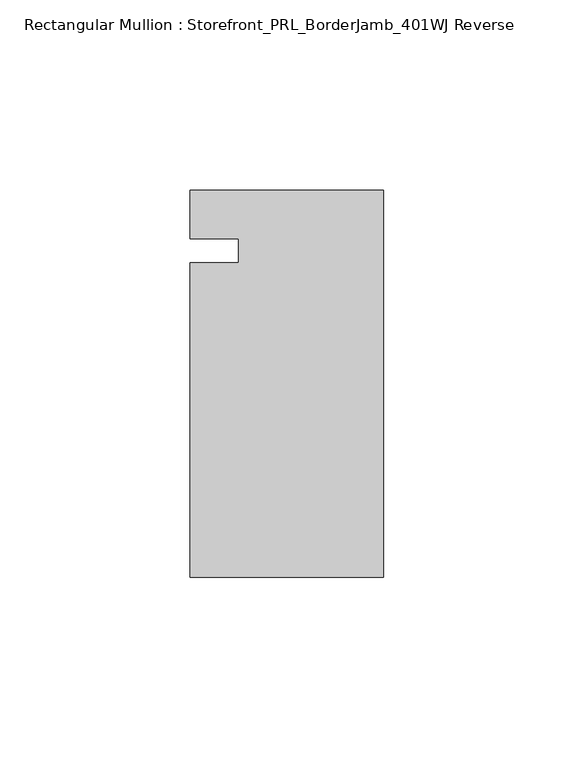
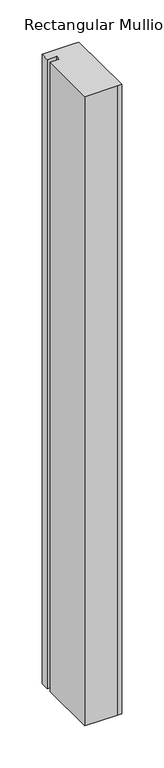
"""IFC4 building model written with IfcOpenShell, lengths in millimetres: member geometry, Rectangular Mullion : Storefront_PRL_BorderJamb_401WJ Reverse."""

import ifcopenshell
import ifcopenshell.guid

model = None  # the IFC model being written
_history = None  # IfcOwnerHistory: only IFC2X3 demands one
_inside = {}  # id of a spatial element -> (the spatial element, [elements in it])
_under = {}  # id of a project, library or spatial element -> (it, [spatial elements below it])
_declared = {}  # id of a project -> (the project, [libraries it declares])
_typed = {}  # id of a type object -> (the type object, [elements of that type])
_made_of = {}  # id of a material, layer set ... -> (it, [elements and type objects made of it])


def new_model(schema):
    """Start an empty IFC model of exactly this schema.

    Asked for "IFC4X3", IfcOpenShell would pick the latest addendum, in which some entities
    have other attributes; the version numbers below select the first issue.
    IFC2X3 requires an IfcOwnerHistory on every rooted entity: one is made here for all.
    """
    global model, _history
    if schema == "IFC4X3":
        model = ifcopenshell.file(schema_version=(4, 3, 0, 0))
    else:
        model = ifcopenshell.file(schema=schema)
    _inside.clear()
    _under.clear()
    _declared.clear()
    _typed.clear()
    _made_of.clear()
    _history = None
    if model.schema == "IFC2X3":
        org = make("IfcOrganization", Name="unknown")
        user = make(
            "IfcPersonAndOrganization",
            ThePerson=make("IfcPerson", FamilyName="unknown"),
            TheOrganization=org,
        )
        app = make(
            "IfcApplication",
            ApplicationDeveloper=org,
            Version="unknown",
            ApplicationFullName="unknown",
            ApplicationIdentifier="unknown",
        )
        _history = make(
            "IfcOwnerHistory",
            OwningUser=user,
            OwningApplication=app,
            ChangeAction="ADDED",
            CreationDate=0,
        )
    return model


def make(cls, **values):
    """One entity of the class cls with the attributes given. An attribute that is None is left unset."""
    return model.create_entity(
        cls, **{name: value for name, value in values.items() if value is not None}
    )


def rooted(cls, **values):
    """An entity with a GlobalId (a new one), such as an element, a storey or a relation."""
    return make(cls, GlobalId=ifcopenshell.guid.new(), OwnerHistory=_history, **values)


def si_unit(unit_type, name, prefix=None):
    """IfcSIUnit, for example si_unit("LENGTHUNIT", "METRE", prefix="MILLI")."""
    return make("IfcSIUnit", UnitType=unit_type, Prefix=prefix, Name=name)


def assignment(units):
    """IfcUnitAssignment: the units of a project."""
    return None if units is None else make("IfcUnitAssignment", Units=units)


def point(xyz):
    """IfcCartesianPoint."""
    return None if xyz is None else make("IfcCartesianPoint", Coordinates=xyz)


def direction(xyz):
    """IfcDirection."""
    return None if xyz is None else make("IfcDirection", DirectionRatios=xyz)


def frame(location, z_axis=None, x_axis=None):
    """IfcAxis2Placement3D, a coordinate frame: its origin and axes. An axis left out is left unset."""
    return make(
        "IfcAxis2Placement3D",
        Location=point(location),
        Axis=direction(z_axis),
        RefDirection=direction(x_axis),
    )


def origin():
    """The frame at (0, 0, 0) with its axes left unset."""
    return frame((0.0, 0.0, 0.0))


def place(relative_to, where):
    """IfcLocalPlacement: puts the frame where relative to a parent placement (None: the world)."""
    return make(
        "IfcLocalPlacement", PlacementRelTo=relative_to, RelativePlacement=where
    )


def context(
    kind, dimensions, precision=None, world=None, true_north=None, identifier=None
):
    """IfcGeometricRepresentationContext, for example the 3D "Model" context."""
    return make(
        "IfcGeometricRepresentationContext",
        ContextIdentifier=identifier,
        ContextType=kind,
        CoordinateSpaceDimension=dimensions,
        Precision=precision,
        WorldCoordinateSystem=world,
        TrueNorth=true_north,
    )


def project(units=None, contexts=None):
    """IfcProject with its units and contexts."""
    return rooted(
        "IfcProject",
        Name="project",
        RepresentationContexts=contexts,
        UnitsInContext=assignment(units),
    )


def spatial(cls, under=None, at=None, **own):
    """A site, building, storey or space (cls), placed at a placement, below another one or the project."""
    s = rooted(cls, ObjectPlacement=at, **own)
    if under is not None:
        _under.setdefault(under.id(), (under, []))[1].append(s)
    return s


def polyline(points):
    """IfcPolyline through the points."""
    return make("IfcPolyline", Points=[point(p) for p in points])


def outline(outer, holes=None, kind="AREA"):
    """IfcArbitraryClosedProfileDef: a profile drawn as a closed curve; with holes, ...WithVoids."""
    if holes is None:
        return make("IfcArbitraryClosedProfileDef", ProfileType=kind, OuterCurve=outer)
    return make(
        "IfcArbitraryProfileDefWithVoids",
        ProfileType=kind,
        OuterCurve=outer,
        InnerCurves=holes,
    )


def extrude(swept, where, along, depth):
    """IfcExtrudedAreaSolid: the profile swept, set in the frame where, extruded along a direction by depth."""
    return make(
        "IfcExtrudedAreaSolid",
        SweptArea=swept,
        Position=where,
        ExtrudedDirection=direction(along),
        Depth=depth,
    )


def shape(context_of_items, identifier, shape_type, items):
    """IfcShapeRepresentation: the items that make up one representation, for example the "Body"."""
    return make(
        "IfcShapeRepresentation",
        ContextOfItems=context_of_items,
        RepresentationIdentifier=identifier,
        RepresentationType=shape_type,
        Items=items,
    )


def source(mapping_origin, context_of_items, identifier, shape_type, items):
    """IfcRepresentationMap: a shape defined once, which mapped items show again and again."""
    return make(
        "IfcRepresentationMap",
        MappingOrigin=mapping_origin,
        MappedRepresentation=shape(context_of_items, identifier, shape_type, items),
    )


def transform(
    local_origin,
    x_axis=None,
    y_axis=None,
    z_axis=None,
    scale=None,
    scale2=None,
    scale3=None,
    uniform=True,
):
    """IfcCartesianTransformationOperator3D, or its non-uniform kind. x_axis, y_axis, z_axis: its Axis1, 2, 3."""
    if uniform:
        return make(
            "IfcCartesianTransformationOperator3D",
            Axis1=direction(x_axis),
            Axis2=direction(y_axis),
            LocalOrigin=point(local_origin),
            Scale=scale,
            Axis3=direction(z_axis),
        )
    return make(
        "IfcCartesianTransformationOperator3DnonUniform",
        Axis1=direction(x_axis),
        Axis2=direction(y_axis),
        LocalOrigin=point(local_origin),
        Scale=scale,
        Axis3=direction(z_axis),
        Scale2=scale2,
        Scale3=scale3,
    )


def mapped(mapping_source, mapping_target):
    """IfcMappedItem: shows the shape of a source again, moved by a transform."""
    return make(
        "IfcMappedItem", MappingSource=mapping_source, MappingTarget=mapping_target
    )


def made_of(thing, what):
    """Note that an element or type object is made of a material, layer set ...; save() writes the relation."""
    if what is not None:
        _made_of.setdefault(what.id(), (what, []))[1].append(thing)
    return thing


def element(
    cls,
    number,
    at=None,
    inside=None,
    cuts=None,
    type_object=None,
    material=None,
    context=None,
    identifier="Body",
    shape_type=None,
    held_by="IfcProductDefinitionShape",
    body=None,
    shapes=None,
    **own,
):
    """One element of the class cls, such as IfcWall. Its Tag is "e" and its number.

    at: its placement. inside: the storey or other place that contains it. cuts: it is an
    opening in that element (IfcRelVoidsElement). A single representation is given by context,
    identifier, shape_type and body (its items); several are given by shapes. held_by: the class
    of the entity that holds the representations. save() writes the other relations.
    """
    e = rooted(cls, Tag="e%d" % number, ObjectPlacement=at, **own)
    if body is not None:
        shapes = [shape(context, identifier, shape_type, body)]
    if shapes is not None:
        e.Representation = make(held_by, Representations=shapes)
    if inside is not None:
        _inside.setdefault(inside.id(), (inside, []))[1].append(e)
    if cuts is not None:
        rooted(
            "IfcRelVoidsElement", RelatingBuildingElement=cuts, RelatedOpeningElement=e
        )
    if type_object is not None:
        _typed.setdefault(type_object.id(), (type_object, []))[1].append(e)
    return made_of(e, material)


def aggregate(whole, parts):
    """IfcRelAggregates: a whole, such as a stair, and the parts it consists of."""
    return rooted("IfcRelAggregates", RelatingObject=whole, RelatedObjects=parts)


def save(model, path):
    """Write the relations noted so far, then the file.

    IfcRelAggregates (storeys below a building ...), IfcRelContainedInSpatialStructure (elements
    in a storey), IfcRelDefinesByType, IfcRelAssociatesMaterial and IfcRelDeclares: one each for
    every whole, place, type object, material and project.
    """
    for whole, parts in _under.values():
        aggregate(whole, parts)
    for where, things in _inside.values():
        rooted(
            "IfcRelContainedInSpatialStructure",
            RelatedElements=things,
            RelatingStructure=where,
        )
    for kind, things in _typed.values():
        rooted("IfcRelDefinesByType", RelatedObjects=things, RelatingType=kind)
    for what, things in _made_of.values():
        rooted("IfcRelAssociatesMaterial", RelatedObjects=things, RelatingMaterial=what)
    for by, libraries in _declared.values():
        rooted("IfcRelDeclares", RelatingContext=by, RelatedDefinitions=libraries)
    model.write(path)


def rectangular_mullion_storefront_prl_borderjamb_401wj_reverse_818d3f86(model_context):
    return source(origin(), model_context, "Body", "SweptSolid", [
        extrude(outline(polyline([(-38.1, -3.175), (-38.1, 3.175), (-50.8, 3.175), (-50.8, 15.875), (-7.3958824, 15.875), (0.0, 15.875), (0.0, -85.725), (-6.35, -85.725), (-50.8, -85.725), (-50.8, -3.175), (-38.1, -3.175)])), frame((0.0, 0.0, -914.4), z_axis=(0.0, 0.0, 1.0), x_axis=(1.0, 0.0, 0.0)), (0.0, 0.0, 1.0), 914.4),
    ])


if __name__ == "__main__":
    model = new_model("IFC4")
    model_context = context("Model", 3, world=origin())
    ifc_project = project(units=[si_unit("LENGTHUNIT", "METRE", prefix="MILLI")], contexts=[model_context])
    site = spatial("IfcSite", under=ifc_project)
    building = spatial("IfcBuilding", under=site)
    placement = place(None, origin())
    rectangular_mullion_storefront_prl_borderjamb_401wj_reverse_shape = rectangular_mullion_storefront_prl_borderjamb_401wj_reverse_818d3f86(model_context)
    element("IfcMember", 1, ObjectType="Rectangular Mullion : Storefront_PRL_BorderJamb_401WJ Reverse", at=placement, inside=building, context=model_context, shape_type="MappedRepresentation", body=[
        mapped(rectangular_mullion_storefront_prl_borderjamb_401wj_reverse_shape, transform((0.0, 0.0, 0.0), x_axis=(1.0, 0.0, 0.0), y_axis=(0.0, 1.0, 0.0), z_axis=(0.0, 0.0, 1.0))),
    ])
    save(model, "model.ifc")
